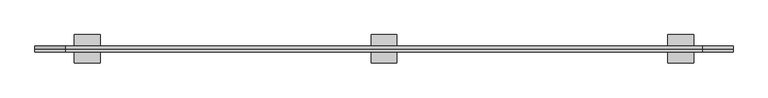
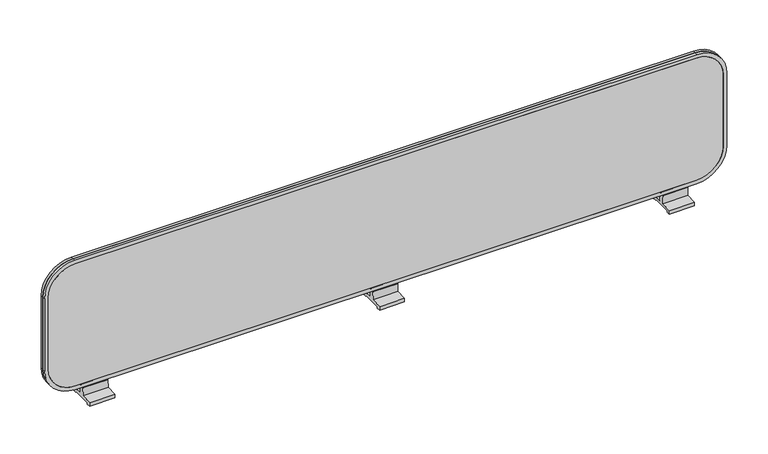
"""IFC4 building model written with IfcOpenShell, lengths in millimetres: furniture geometry."""

from ifc_helpers import new_model, si_unit, point, frame, frame_2d, origin, place, context, project, spatial, polyline, circle_curve, trimmed, segment, composite_curve, outline, extrude, source, transform, mapped, element, save


def furniture_1a2a23b0(model_context):
    return source(origin(), model_context, "Body", "SweptSolid", [
        extrude(outline(composite_curve([segment(polyline([(30.2894465, 717.9504649), (22.0078791, 717.9504649), (22.0078791, 721.2806592), (-23.26621, 721.2806592), (-23.26621, 717.9504649), (-31.5483271, 717.9504649), (-31.5483271, 726.4710658), (-6.4414178, 727.7260746), (-5.989662, 745.9774707)]), True, "CONTINUOUS"), segment(trimmed(circle_curve(frame_2d((-3.9582842, 745.9271904)), 2.032), [point((-5.989662, 745.9774707))], [point((-3.9582842, 747.9591904))], False, "CARTESIAN"), True, "CONTINUOUS"), segment(polyline([(-3.9582842, 747.9591904), (2.699812, 747.9591904)]), True, "CONTINUOUS"), segment(trimmed(circle_curve(frame_2d((2.699812, 745.9271904)), 2.032), [point((2.699812, 747.9591904))], [point((4.7311898, 745.9774717))], False, "CARTESIAN"), True, "CONTINUOUS"), segment(polyline([(4.7311898, 745.9774717), (5.1814484, 727.7869202), (30.2894465, 726.4710658), (30.2894465, 717.9504649)]), True, "CONTINUOUS")], self_intersect=False)), frame((-27.78125, 0.0, 0.0), z_axis=(1.0, 0.0, 0.0), x_axis=(0.0, 1.0, 0.0)), (0.0, 0.0, 1.0), 55.5625),
        extrude(outline(composite_curve([segment(polyline([(30.2894465, 717.9504649), (22.0078791, 717.9504649), (22.0078791, 721.2806592), (-23.26621, 721.2806592), (-23.26621, 717.9504649), (-31.5483271, 717.9504649), (-31.5483271, 726.4710658), (-6.4414178, 727.7260746), (-5.989662, 745.9774707)]), True, "CONTINUOUS"), segment(trimmed(circle_curve(frame_2d((-3.9582842, 745.9271904)), 2.032), [point((-5.989662, 745.9774707))], [point((-3.9582842, 747.9591904))], False, "CARTESIAN"), True, "CONTINUOUS"), segment(polyline([(-3.9582842, 747.9591904), (2.699812, 747.9591904)]), True, "CONTINUOUS"), segment(trimmed(circle_curve(frame_2d((2.699812, 745.9271904)), 2.032), [point((2.699812, 747.9591904))], [point((4.7311898, 745.9774717))], False, "CARTESIAN"), True, "CONTINUOUS"), segment(polyline([(4.7311898, 745.9774717), (5.1814484, 727.7869202), (30.2894465, 726.4710658), (30.2894465, 717.9504649)]), True, "CONTINUOUS")], self_intersect=False)), frame((619.76, 0.0, 0.0), z_axis=(1.0, 0.0, 0.0), x_axis=(0.0, 1.0, 0.0)), (0.0, 0.0, 1.0), 55.88),
        extrude(outline(composite_curve([segment(polyline([(30.2894465, 717.9504649), (22.0078791, 717.9504649), (22.0078791, 721.2806592), (-23.26621, 721.2806592), (-23.26621, 717.9504649), (-31.5483271, 717.9504649), (-31.5483271, 726.4710658), (-6.4414178, 727.7260746), (-5.989662, 745.9774707)]), True, "CONTINUOUS"), segment(trimmed(circle_curve(frame_2d((-3.9582842, 745.9271904)), 2.032), [point((-5.989662, 745.9774707))], [point((-3.9582842, 747.9591904))], False, "CARTESIAN"), True, "CONTINUOUS"), segment(polyline([(-3.9582842, 747.9591904), (2.699812, 747.9591904)]), True, "CONTINUOUS"), segment(trimmed(circle_curve(frame_2d((2.699812, 745.9271904)), 2.032), [point((2.699812, 747.9591904))], [point((4.7311898, 745.9774717))], False, "CARTESIAN"), True, "CONTINUOUS"), segment(polyline([(4.7311898, 745.9774717), (5.1814484, 727.7869202), (30.2894465, 726.4710658), (30.2894465, 717.9504649)]), True, "CONTINUOUS")], self_intersect=False)), frame((-675.64, 0.0, 0.0), z_axis=(1.0, 0.0, 0.0), x_axis=(0.0, 1.0, 0.0)), (0.0, 0.0, 1.0), 55.88),
        extrude(outline(composite_curve([segment(trimmed(circle_curve(frame_2d((986.0698754, -693.9123469)), 59.6481246), [point((1045.718, -693.9123469))], [point((986.0698754, -753.5604715))], False, "CARTESIAN"), True, "CONTINUOUS"), segment(polyline([(986.0698754, -753.5604715), (817.4296738, -753.5604715)]), True, "CONTINUOUS"), segment(trimmed(circle_curve(frame_2d((817.4296738, -693.8709802)), 59.6894913), [point((817.4296738, -753.5604715))], [point((757.7401825, -693.8709802))], False, "CARTESIAN"), True, "CONTINUOUS"), segment(polyline([(757.7401825, -693.8709802), (757.7401825, 693.8709802)]), True, "CONTINUOUS"), segment(trimmed(circle_curve(frame_2d((817.4296738, 693.8709802)), 59.6894913), [point((757.7401825, 693.8709802))], [point((817.4296738, 753.5604715))], False, "CARTESIAN"), True, "CONTINUOUS"), segment(polyline([(817.4296738, 753.5604715), (986.0698754, 753.5604715)]), True, "CONTINUOUS"), segment(trimmed(circle_curve(frame_2d((986.0698754, 693.9123469)), 59.6481246), [point((986.0698754, 753.5604715))], [point((1045.718, 693.9123469))], False, "CARTESIAN"), True, "CONTINUOUS"), segment(polyline([(1045.718, 693.9123469), (1045.718, -693.9123469)]), True, "CONTINUOUS")], self_intersect=False)), frame((0.0, -0.6294403, 0.0), z_axis=(0.0, 1.0, 0.0), x_axis=(0.0, 0.0, 1.0)), (0.0, 0.0, 1.0), 6.6302155),
        extrude(outline(composite_curve([segment(polyline([(1054.1, 694.6905087), (1054.1, -694.6905087)]), True, "CONTINUOUS"), segment(trimmed(circle_curve(frame_2d((986.7905087, -694.6905087)), 67.3094913), [point((1054.1, -694.6905087))], [point((986.7905087, -762.0))], False, "CARTESIAN"), True, "CONTINUOUS"), segment(polyline([(986.7905087, -762.0), (816.6094913, -762.0)]), True, "CONTINUOUS"), segment(trimmed(circle_curve(frame_2d((816.6094913, -694.6905087)), 67.3094913), [point((816.6094913, -762.0))], [point((749.3, -694.6905087))], False, "CARTESIAN"), True, "CONTINUOUS"), segment(polyline([(749.3, -694.6905087), (749.3, 694.6905087)]), True, "CONTINUOUS"), segment(trimmed(circle_curve(frame_2d((816.6094913, 694.6905087)), 67.3094913), [point((749.3, 694.6905087))], [point((816.6094913, 762.0))], False, "CARTESIAN"), True, "CONTINUOUS"), segment(polyline([(816.6094913, 762.0), (986.7905087, 762.0)]), True, "CONTINUOUS"), segment(trimmed(circle_curve(frame_2d((986.7905087, 694.6905087)), 67.3094913), [point((986.7905087, 762.0))], [point((1054.1, 694.6905087))], False, "CARTESIAN"), True, "CONTINUOUS")], self_intersect=False), holes=[composite_curve([segment(polyline([(757.7401825, 693.8709802), (757.7401825, -693.8709802)]), True, "CONTINUOUS"), segment(trimmed(circle_curve(frame_2d((817.4296738, -693.8709802)), 59.6894913), [point((757.7401825, -693.8709802))], [point((817.4296738, -753.5604715))], True, "CARTESIAN"), True, "CONTINUOUS"), segment(polyline([(817.4296738, -753.5604715), (986.0698754, -753.5604715)]), True, "CONTINUOUS"), segment(trimmed(circle_curve(frame_2d((986.0698754, -693.9123469)), 59.6481246), [point((986.0698754, -753.5604715))], [point((1045.718, -693.9123469))], True, "CARTESIAN"), True, "CONTINUOUS"), segment(polyline([(1045.718, -693.9123469), (1045.718, 693.9123469)]), True, "CONTINUOUS"), segment(trimmed(circle_curve(frame_2d((986.0698754, 693.9123469)), 59.6481246), [point((1045.718, 693.9123469))], [point((986.0698754, 753.5604715))], True, "CARTESIAN"), True, "CONTINUOUS"), segment(polyline([(986.0698754, 753.5604715), (817.4296738, 753.5604715)]), True, "CONTINUOUS"), segment(trimmed(circle_curve(frame_2d((817.4296738, 693.8709802)), 59.6894913), [point((817.4296738, 753.5604715))], [point((757.7401825, 693.8709802))], True, "CARTESIAN"), True, "CONTINUOUS")], self_intersect=False)]), frame((0.0, -0.6294403, 0.0), z_axis=(0.0, 1.0, 0.0), x_axis=(0.0, 0.0, 1.0)), (0.0, 0.0, 1.0), 6.6302155),
        extrude(outline(composite_curve([segment(trimmed(circle_curve(frame_2d((817.4296738, 693.8709802)), 59.6894913), [point((757.7401825, 693.8709802))], [point((817.4296738, 753.5604715))], False, "CARTESIAN"), True, "CONTINUOUS"), segment(polyline([(817.4296738, 753.5604715), (986.0698754, 753.5604715)]), True, "CONTINUOUS"), segment(trimmed(circle_curve(frame_2d((986.0698754, 693.9123469)), 59.6481246), [point((986.0698754, 753.5604715))], [point((1045.718, 693.9123469))], False, "CARTESIAN"), True, "CONTINUOUS"), segment(polyline([(1045.718, 693.9123469), (1045.718, -693.9781585)]), True, "CONTINUOUS"), segment(trimmed(circle_curve(frame_2d((986.135687, -693.9781585)), 59.582313), [point((1045.718, -693.9781585))], [point((986.135687, -753.5604715))], False, "CARTESIAN"), True, "CONTINUOUS"), segment(polyline([(986.135687, -753.5604715), (817.4296738, -753.5604715)]), True, "CONTINUOUS"), segment(trimmed(circle_curve(frame_2d((817.4296738, -693.8709802)), 59.6894913), [point((817.4296738, -753.5604715))], [point((757.7401825, -693.8709802))], False, "CARTESIAN"), True, "CONTINUOUS"), segment(polyline([(757.7401825, -693.8709802), (757.7401825, 693.8709802)]), True, "CONTINUOUS")], self_intersect=False)), frame((0.0, -7.2596558, 0.0), z_axis=(0.0, 1.0, 0.0), x_axis=(0.0, 0.0, 1.0)), (0.0, 0.0, 1.0), 6.6302155),
        extrude(outline(composite_curve([segment(polyline([(1054.1, 694.6905087), (1054.1, -694.6905087)]), True, "CONTINUOUS"), segment(trimmed(circle_curve(frame_2d((986.7905087, -694.6905087)), 67.3094913), [point((1054.1, -694.6905087))], [point((986.7905087, -762.0))], False, "CARTESIAN"), True, "CONTINUOUS"), segment(polyline([(986.7905087, -762.0), (816.6094913, -762.0)]), True, "CONTINUOUS"), segment(trimmed(circle_curve(frame_2d((816.6094913, -694.6905087)), 67.3094913), [point((816.6094913, -762.0))], [point((749.3, -694.6905087))], False, "CARTESIAN"), True, "CONTINUOUS"), segment(polyline([(749.3, -694.6905087), (749.3, 694.6905087)]), True, "CONTINUOUS"), segment(trimmed(circle_curve(frame_2d((816.6094913, 694.6905087)), 67.3094913), [point((749.3, 694.6905087))], [point((816.6094913, 762.0))], False, "CARTESIAN"), True, "CONTINUOUS"), segment(polyline([(816.6094913, 762.0), (986.7905087, 762.0)]), True, "CONTINUOUS"), segment(trimmed(circle_curve(frame_2d((986.7905087, 694.6905087)), 67.3094913), [point((986.7905087, 762.0))], [point((1054.1, 694.6905087))], False, "CARTESIAN"), True, "CONTINUOUS")], self_intersect=False), holes=[composite_curve([segment(polyline([(757.7401825, 693.8709802), (757.7401825, -693.8709802)]), True, "CONTINUOUS"), segment(trimmed(circle_curve(frame_2d((817.4296738, -693.8709802)), 59.6894913), [point((757.7401825, -693.8709802))], [point((817.4296738, -753.5604715))], True, "CARTESIAN"), True, "CONTINUOUS"), segment(polyline([(817.4296738, -753.5604715), (986.0698754, -753.5604715)]), True, "CONTINUOUS"), segment(trimmed(circle_curve(frame_2d((986.0698754, -693.9123469)), 59.6481246), [point((986.0698754, -753.5604715))], [point((1045.718, -693.9123469))], True, "CARTESIAN"), True, "CONTINUOUS"), segment(polyline([(1045.718, -693.9123469), (1045.718, 693.9123469)]), True, "CONTINUOUS"), segment(trimmed(circle_curve(frame_2d((986.0698754, 693.9123469)), 59.6481246), [point((1045.718, 693.9123469))], [point((986.0698754, 753.5604715))], True, "CARTESIAN"), True, "CONTINUOUS"), segment(polyline([(986.0698754, 753.5604715), (817.4296738, 753.5604715)]), True, "CONTINUOUS"), segment(trimmed(circle_curve(frame_2d((817.4296738, 693.8709802)), 59.6894913), [point((817.4296738, 753.5604715))], [point((757.7401825, 693.8709802))], True, "CARTESIAN"), True, "CONTINUOUS")], self_intersect=False)]), frame((0.0, -7.2596558, 0.0), z_axis=(0.0, 1.0, 0.0), x_axis=(0.0, 0.0, 1.0)), (0.0, 0.0, 1.0), 6.6302155),
    ])


if __name__ == "__main__":
    model = new_model("IFC4")
    model_context = context("Model", 3, world=origin())
    ifc_project = project(units=[si_unit("LENGTHUNIT", "METRE", prefix="MILLI")], contexts=[model_context])
    site = spatial("IfcSite", under=ifc_project)
    building = spatial("IfcBuilding", under=site)
    placement = place(None, origin())
    furniture_shape = furniture_1a2a23b0(model_context)
    element("IfcFurniture", 1, at=placement, inside=building, context=model_context, shape_type="MappedRepresentation", body=[
        mapped(furniture_shape, transform((0.0, 0.0, 0.0), x_axis=(1.0, 0.0, 0.0), y_axis=(0.0, 1.0, 0.0), z_axis=(0.0, 0.0, 1.0))),
    ])
    save(model, "model.ifc")
